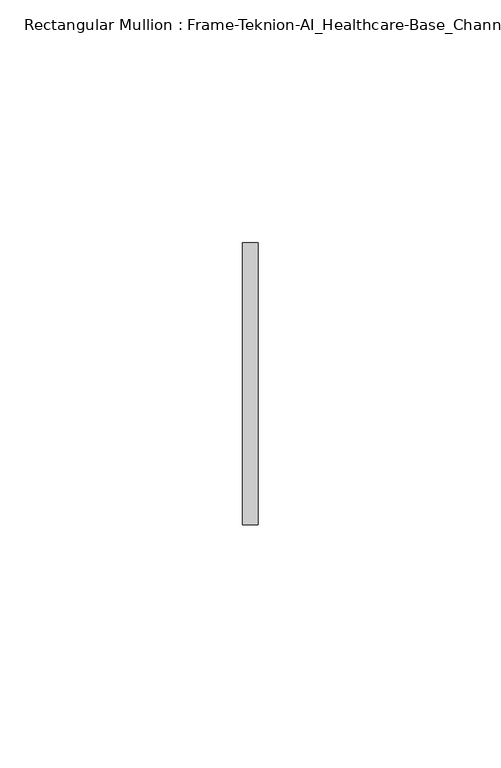
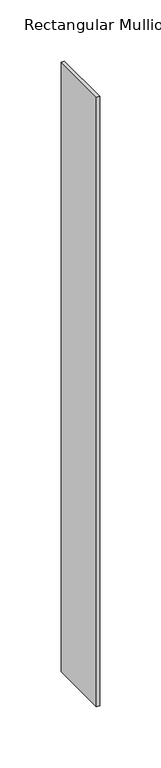
"""IFC4 building model written with IfcOpenShell, lengths in millimetres: member geometry, Rectangular Mullion : Frame-Teknion-AI_Healthcare-Base_Channel."""

from ifc_helpers import new_model, si_unit, frame, origin, place, context, project, spatial, polyline, outline, extrude, source, transform, mapped, element, save


def rectangular_mullion_frame_teknion_ai_healthcare_base_channel_a7afee46(model_context):
    return source(origin(), model_context, "Body", "SweptSolid", [
        extrude(outline(polyline([(0.0, 29.0214844), (0.0, -29.0214844), (-3.175, -29.0214844), (-3.175, 29.0214844), (0.0, 29.0214844)])), frame((0.0, 0.0, -609.6), z_axis=(0.0, 0.0, 1.0), x_axis=(1.0, 0.0, 0.0)), (0.0, 0.0, 1.0), 609.6),
    ])


if __name__ == "__main__":
    model = new_model("IFC4")
    model_context = context("Model", 3, world=origin())
    ifc_project = project(units=[si_unit("LENGTHUNIT", "METRE", prefix="MILLI")], contexts=[model_context])
    site = spatial("IfcSite", under=ifc_project)
    building = spatial("IfcBuilding", under=site)
    placement = place(None, origin())
    rectangular_mullion_frame_teknion_ai_healthcare_base_channel_shape = rectangular_mullion_frame_teknion_ai_healthcare_base_channel_a7afee46(model_context)
    element("IfcMember", 1, ObjectType="Rectangular Mullion : Frame-Teknion-AI_Healthcare-Base_Channel", at=placement, inside=building, context=model_context, shape_type="MappedRepresentation", body=[
        mapped(rectangular_mullion_frame_teknion_ai_healthcare_base_channel_shape, transform((0.0, 0.0, 0.0), x_axis=(1.0, 0.0, 0.0), y_axis=(0.0, 1.0, 0.0), z_axis=(0.0, 0.0, 1.0))),
    ])
    save(model, "model.ifc")
